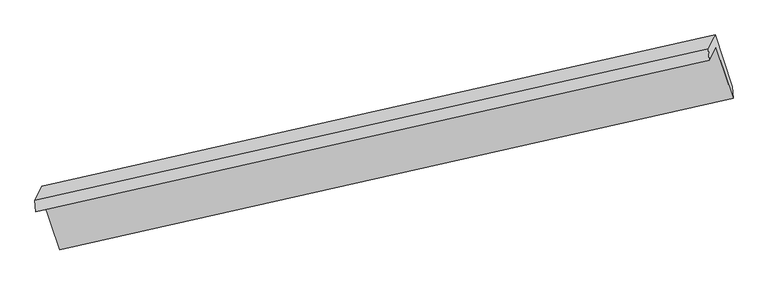
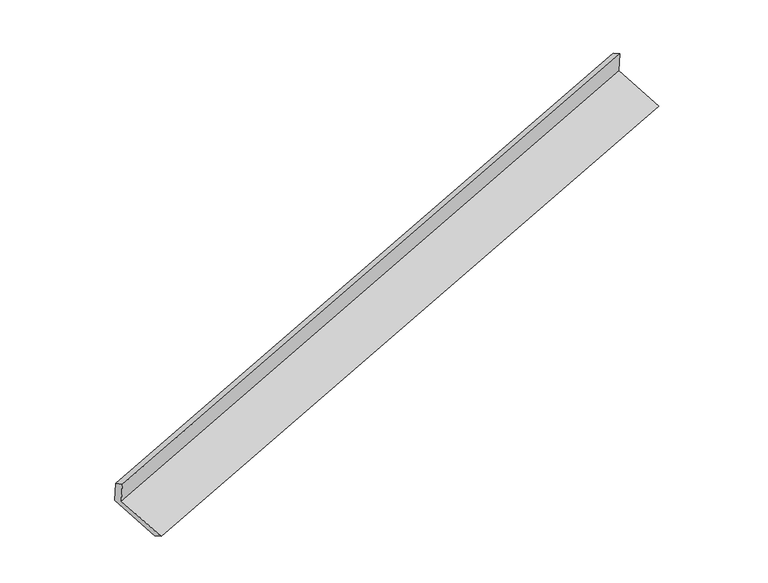
"""IFC4 building model written with IfcOpenShell, lengths in millimetres: proxy geometry."""

from ifc_helpers import new_model, si_unit, origin, place, context, project, spatial, faceted_brep, source, transform, mapped, element, save


def generic_models_8f381d12(model_context):
    return source(origin(), model_context, "Body", "Brep", [
        faceted_brep([(-7439.5569587, -2476.5594846, 944.4972971), (-7350.7657346, -2296.6978514, 530.1646577), (1547.4963379, -295.0290889, 3289.3149246), (1458.7051139, -474.8907221, 3703.647564), (-7450.4049924, -2321.6105604, 869.778302), (1447.8570801, -319.9417979, 3628.9285688), (-7361.18396, -2140.8782778, 453.4400181), (1537.0781125, -139.2095153, 3212.5902849), (-7134.7201124, -2823.8330522, 205.5006836), (1763.5419601, -822.1642897, 2964.6509504), (-7124.2700406, -2979.7486663, 282.1904568), (1773.992032, -978.0799038, 3041.3407236)], [[[0, 1, 2, 3]], [[4, 0, 3, 5]], [[6, 4, 5, 7]], [[8, 6, 7, 9]], [[10, 8, 9, 11]], [[1, 10, 11, 2]], [[9, 7, 5, 3, 2, 11]], [[1, 0, 4, 6, 8, 10]]]),
    ])


if __name__ == "__main__":
    model = new_model("IFC4")
    model_context = context("Model", 3, world=origin())
    ifc_project = project(units=[si_unit("LENGTHUNIT", "METRE", prefix="MILLI")], contexts=[model_context])
    site = spatial("IfcSite", under=ifc_project)
    building = spatial("IfcBuilding", under=site)
    placement = place(None, origin())
    generic_models_shape = generic_models_8f381d12(model_context)
    element("IfcBuildingElementProxy", 1, Name="Generic Models", at=placement, inside=building, context=model_context, shape_type="MappedRepresentation", body=[
        mapped(generic_models_shape, transform((0.0, 0.0, 0.0), x_axis=(1.0, 0.0, 0.0), y_axis=(0.0, 1.0, 0.0), z_axis=(0.0, 0.0, 1.0))),
    ])
    save(model, "model.ifc")
